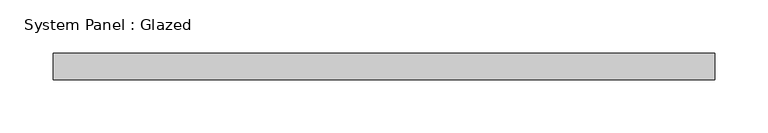
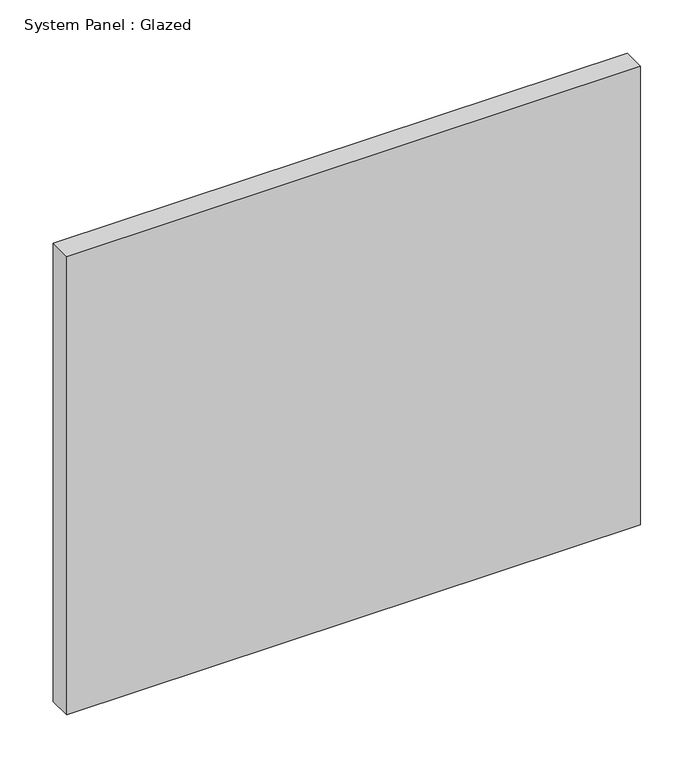
"""IFC4 building model written with IfcOpenShell, lengths in millimetres: plate geometry, System Panel : Glazed."""

import ifcopenshell
import ifcopenshell.guid

model = None  # the IFC model being written
_history = None  # IfcOwnerHistory: only IFC2X3 demands one
_inside = {}  # id of a spatial element -> (the spatial element, [elements in it])
_under = {}  # id of a project, library or spatial element -> (it, [spatial elements below it])
_declared = {}  # id of a project -> (the project, [libraries it declares])
_typed = {}  # id of a type object -> (the type object, [elements of that type])
_made_of = {}  # id of a material, layer set ... -> (it, [elements and type objects made of it])


def new_model(schema):
    """Start an empty IFC model of exactly this schema.

    Asked for "IFC4X3", IfcOpenShell would pick the latest addendum, in which some entities
    have other attributes; the version numbers below select the first issue.
    IFC2X3 requires an IfcOwnerHistory on every rooted entity: one is made here for all.
    """
    global model, _history
    if schema == "IFC4X3":
        model = ifcopenshell.file(schema_version=(4, 3, 0, 0))
    else:
        model = ifcopenshell.file(schema=schema)
    _inside.clear()
    _under.clear()
    _declared.clear()
    _typed.clear()
    _made_of.clear()
    _history = None
    if model.schema == "IFC2X3":
        org = make("IfcOrganization", Name="unknown")
        user = make(
            "IfcPersonAndOrganization",
            ThePerson=make("IfcPerson", FamilyName="unknown"),
            TheOrganization=org,
        )
        app = make(
            "IfcApplication",
            ApplicationDeveloper=org,
            Version="unknown",
            ApplicationFullName="unknown",
            ApplicationIdentifier="unknown",
        )
        _history = make(
            "IfcOwnerHistory",
            OwningUser=user,
            OwningApplication=app,
            ChangeAction="ADDED",
            CreationDate=0,
        )
    return model


def make(cls, **values):
    """One entity of the class cls with the attributes given. An attribute that is None is left unset."""
    return model.create_entity(
        cls, **{name: value for name, value in values.items() if value is not None}
    )


def rooted(cls, **values):
    """An entity with a GlobalId (a new one), such as an element, a storey or a relation."""
    return make(cls, GlobalId=ifcopenshell.guid.new(), OwnerHistory=_history, **values)


def si_unit(unit_type, name, prefix=None):
    """IfcSIUnit, for example si_unit("LENGTHUNIT", "METRE", prefix="MILLI")."""
    return make("IfcSIUnit", UnitType=unit_type, Prefix=prefix, Name=name)


def assignment(units):
    """IfcUnitAssignment: the units of a project."""
    return None if units is None else make("IfcUnitAssignment", Units=units)


def point(xyz):
    """IfcCartesianPoint."""
    return None if xyz is None else make("IfcCartesianPoint", Coordinates=xyz)


def direction(xyz):
    """IfcDirection."""
    return None if xyz is None else make("IfcDirection", DirectionRatios=xyz)


def frame(location, z_axis=None, x_axis=None):
    """IfcAxis2Placement3D, a coordinate frame: its origin and axes. An axis left out is left unset."""
    return make(
        "IfcAxis2Placement3D",
        Location=point(location),
        Axis=direction(z_axis),
        RefDirection=direction(x_axis),
    )


def origin():
    """The frame at (0, 0, 0) with its axes left unset."""
    return frame((0.0, 0.0, 0.0))


def origin_with_axes():
    """The frame at (0, 0, 0) with the z axis (0, 0, 1) and the x axis (1, 0, 0) written out."""
    return frame((0.0, 0.0, 0.0), z_axis=(0.0, 0.0, 1.0), x_axis=(1.0, 0.0, 0.0))


def place(relative_to, where):
    """IfcLocalPlacement: puts the frame where relative to a parent placement (None: the world)."""
    return make(
        "IfcLocalPlacement", PlacementRelTo=relative_to, RelativePlacement=where
    )


def context(
    kind, dimensions, precision=None, world=None, true_north=None, identifier=None
):
    """IfcGeometricRepresentationContext, for example the 3D "Model" context."""
    return make(
        "IfcGeometricRepresentationContext",
        ContextIdentifier=identifier,
        ContextType=kind,
        CoordinateSpaceDimension=dimensions,
        Precision=precision,
        WorldCoordinateSystem=world,
        TrueNorth=true_north,
    )


def project(units=None, contexts=None):
    """IfcProject with its units and contexts."""
    return rooted(
        "IfcProject",
        Name="project",
        RepresentationContexts=contexts,
        UnitsInContext=assignment(units),
    )


def spatial(cls, under=None, at=None, **own):
    """A site, building, storey or space (cls), placed at a placement, below another one or the project."""
    s = rooted(cls, ObjectPlacement=at, **own)
    if under is not None:
        _under.setdefault(under.id(), (under, []))[1].append(s)
    return s


def polyline(points):
    """IfcPolyline through the points."""
    return make("IfcPolyline", Points=[point(p) for p in points])


def outline(outer, holes=None, kind="AREA"):
    """IfcArbitraryClosedProfileDef: a profile drawn as a closed curve; with holes, ...WithVoids."""
    if holes is None:
        return make("IfcArbitraryClosedProfileDef", ProfileType=kind, OuterCurve=outer)
    return make(
        "IfcArbitraryProfileDefWithVoids",
        ProfileType=kind,
        OuterCurve=outer,
        InnerCurves=holes,
    )


def extrude(swept, where, along, depth):
    """IfcExtrudedAreaSolid: the profile swept, set in the frame where, extruded along a direction by depth."""
    return make(
        "IfcExtrudedAreaSolid",
        SweptArea=swept,
        Position=where,
        ExtrudedDirection=direction(along),
        Depth=depth,
    )


def shape(context_of_items, identifier, shape_type, items):
    """IfcShapeRepresentation: the items that make up one representation, for example the "Body"."""
    return make(
        "IfcShapeRepresentation",
        ContextOfItems=context_of_items,
        RepresentationIdentifier=identifier,
        RepresentationType=shape_type,
        Items=items,
    )


def source(mapping_origin, context_of_items, identifier, shape_type, items):
    """IfcRepresentationMap: a shape defined once, which mapped items show again and again."""
    return make(
        "IfcRepresentationMap",
        MappingOrigin=mapping_origin,
        MappedRepresentation=shape(context_of_items, identifier, shape_type, items),
    )


def transform(
    local_origin,
    x_axis=None,
    y_axis=None,
    z_axis=None,
    scale=None,
    scale2=None,
    scale3=None,
    uniform=True,
):
    """IfcCartesianTransformationOperator3D, or its non-uniform kind. x_axis, y_axis, z_axis: its Axis1, 2, 3."""
    if uniform:
        return make(
            "IfcCartesianTransformationOperator3D",
            Axis1=direction(x_axis),
            Axis2=direction(y_axis),
            LocalOrigin=point(local_origin),
            Scale=scale,
            Axis3=direction(z_axis),
        )
    return make(
        "IfcCartesianTransformationOperator3DnonUniform",
        Axis1=direction(x_axis),
        Axis2=direction(y_axis),
        LocalOrigin=point(local_origin),
        Scale=scale,
        Axis3=direction(z_axis),
        Scale2=scale2,
        Scale3=scale3,
    )


def mapped(mapping_source, mapping_target):
    """IfcMappedItem: shows the shape of a source again, moved by a transform."""
    return make(
        "IfcMappedItem", MappingSource=mapping_source, MappingTarget=mapping_target
    )


def made_of(thing, what):
    """Note that an element or type object is made of a material, layer set ...; save() writes the relation."""
    if what is not None:
        _made_of.setdefault(what.id(), (what, []))[1].append(thing)
    return thing


def element(
    cls,
    number,
    at=None,
    inside=None,
    cuts=None,
    type_object=None,
    material=None,
    context=None,
    identifier="Body",
    shape_type=None,
    held_by="IfcProductDefinitionShape",
    body=None,
    shapes=None,
    **own,
):
    """One element of the class cls, such as IfcWall. Its Tag is "e" and its number.

    at: its placement. inside: the storey or other place that contains it. cuts: it is an
    opening in that element (IfcRelVoidsElement). A single representation is given by context,
    identifier, shape_type and body (its items); several are given by shapes. held_by: the class
    of the entity that holds the representations. save() writes the other relations.
    """
    e = rooted(cls, Tag="e%d" % number, ObjectPlacement=at, **own)
    if body is not None:
        shapes = [shape(context, identifier, shape_type, body)]
    if shapes is not None:
        e.Representation = make(held_by, Representations=shapes)
    if inside is not None:
        _inside.setdefault(inside.id(), (inside, []))[1].append(e)
    if cuts is not None:
        rooted(
            "IfcRelVoidsElement", RelatingBuildingElement=cuts, RelatedOpeningElement=e
        )
    if type_object is not None:
        _typed.setdefault(type_object.id(), (type_object, []))[1].append(e)
    return made_of(e, material)


def aggregate(whole, parts):
    """IfcRelAggregates: a whole, such as a stair, and the parts it consists of."""
    return rooted("IfcRelAggregates", RelatingObject=whole, RelatedObjects=parts)


def save(model, path):
    """Write the relations noted so far, then the file.

    IfcRelAggregates (storeys below a building ...), IfcRelContainedInSpatialStructure (elements
    in a storey), IfcRelDefinesByType, IfcRelAssociatesMaterial and IfcRelDeclares: one each for
    every whole, place, type object, material and project.
    """
    for whole, parts in _under.values():
        aggregate(whole, parts)
    for where, things in _inside.values():
        rooted(
            "IfcRelContainedInSpatialStructure",
            RelatedElements=things,
            RelatingStructure=where,
        )
    for kind, things in _typed.values():
        rooted("IfcRelDefinesByType", RelatedObjects=things, RelatingType=kind)
    for what, things in _made_of.values():
        rooted("IfcRelAssociatesMaterial", RelatedObjects=things, RelatingMaterial=what)
    for by, libraries in _declared.values():
        rooted("IfcRelDeclares", RelatingContext=by, RelatedDefinitions=libraries)
    model.write(path)


def system_panel_glazed_5d5591a1(model_context):
    return source(origin(), model_context, "Body", "SweptSolid", [
        extrude(outline(polyline([(311.25, -49.5), (-311.25, -49.5), (-311.25, -24.5), (311.25, -24.5), (311.25, -49.5)])), origin_with_axes(), (0.0, 0.0, 1.0), 525.0),
    ])


if __name__ == "__main__":
    model = new_model("IFC4")
    model_context = context("Model", 3, world=origin())
    ifc_project = project(units=[si_unit("LENGTHUNIT", "METRE", prefix="MILLI")], contexts=[model_context])
    site = spatial("IfcSite", under=ifc_project)
    building = spatial("IfcBuilding", under=site)
    placement = place(None, origin())
    system_panel_glazed_shape = system_panel_glazed_5d5591a1(model_context)
    element("IfcPlate", 1, ObjectType="System Panel : Glazed", at=placement, inside=building, context=model_context, shape_type="MappedRepresentation", body=[
        mapped(system_panel_glazed_shape, transform((0.0, 0.0, 0.0), x_axis=(1.0, 0.0, 0.0), y_axis=(0.0, 1.0, 0.0), z_axis=(0.0, 0.0, 1.0))),
    ])
    save(model, "model.ifc")
